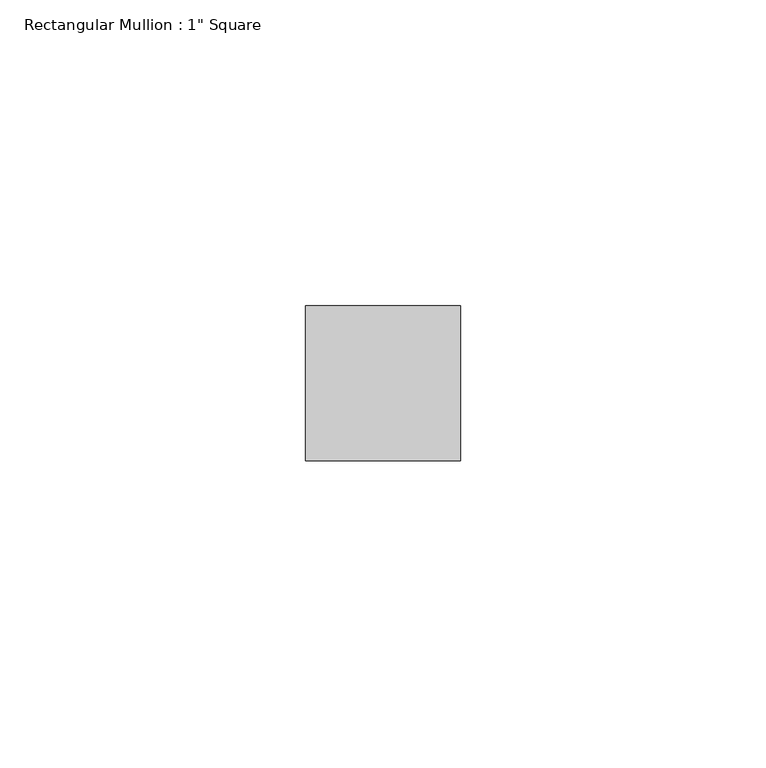
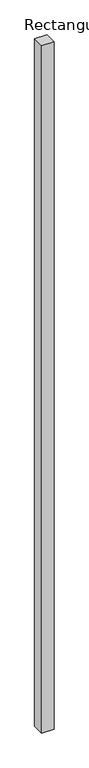
"""IFC4 building model written with IfcOpenShell, lengths in millimetres: member geometry."""

from ifc_helpers import new_model, si_unit, frame, origin, place, context, project, spatial, polyline, outline, extrude, source, transform, mapped, element, save


def member_6e954647(model_context):
    return source(origin(), model_context, "Body", "SweptSolid", [
        extrude(outline(polyline([(12.7, 12.7), (12.7, -12.7), (-12.7, -12.7), (-12.7, 12.7), (12.7, 12.7)])), frame((0.0, 0.0, -1511.3), z_axis=(0.0, 0.0, 1.0), x_axis=(1.0, 0.0, 0.0)), (0.0, 0.0, 1.0), 1511.3),
    ])


if __name__ == "__main__":
    model = new_model("IFC4")
    model_context = context("Model", 3, world=origin())
    ifc_project = project(units=[si_unit("LENGTHUNIT", "METRE", prefix="MILLI")], contexts=[model_context])
    site = spatial("IfcSite", under=ifc_project)
    building = spatial("IfcBuilding", under=site)
    placement = place(None, origin())
    member_shape = member_6e954647(model_context)
    element("IfcMember", 1, ObjectType="Rectangular Mullion : 1\" Square", at=placement, inside=building, context=model_context, shape_type="MappedRepresentation", body=[
        mapped(member_shape, transform((0.0, 0.0, 0.0), x_axis=(1.0, 0.0, 0.0), y_axis=(0.0, 1.0, 0.0), z_axis=(0.0, 0.0, 1.0))),
    ])
    save(model, "model.ifc")
